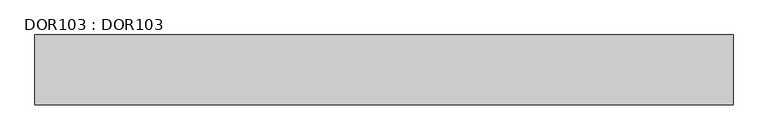
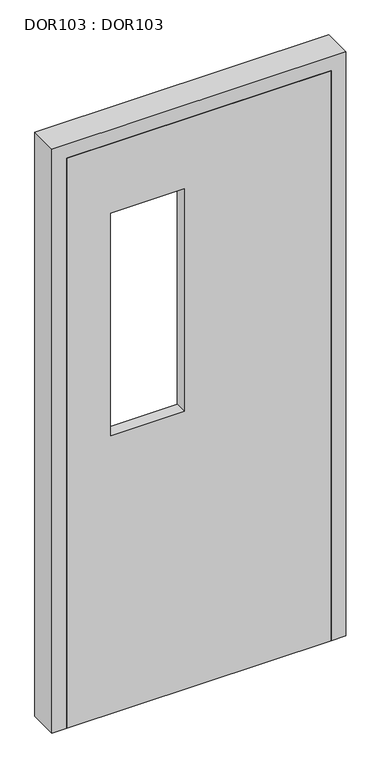
"""IFC4 building model written with IfcOpenShell, lengths in millimetres: proxy geometry, DOR103 : DOR103."""

from ifc_helpers import new_model, si_unit, frame, origin, place, context, project, spatial, polyline, outline, extrude, source, transform, mapped, element, save


def dor103_dor103_9330a421(model_context):
    return source(origin(), model_context, "Body", "SweptSolid", [
        extrude(outline(polyline([(2050.0000156, 950.0), (2050.0000156, 50.0000004), (0.0, 50.0000004), (0.0, 950.0), (2050.0000156, 950.0)]), holes=[polyline([(1800.0000137, 200.0000015), (1800.0000137, 450.0000034), (1000.0000076, 450.0000034), (1000.0000076, 200.0000015), (1800.0000137, 200.0000015)])]), frame((0.0, -100.0, 0.0), z_axis=(0.0, 1.0, 0.0), x_axis=(0.0, 0.0, 1.0)), (0.0, 0.0, 1.0), 39.9812829),
        extrude(outline(polyline([(2100.000016, 0.0), (0.0, 0.0), (0.0, 50.0000004), (2050.0000156, 50.0000004), (2050.0000156, 950.0000072), (0.0, 950.0000072), (0.0, 1000.0000076), (2100.000016, 1000.0000076), (2100.000016, 0.0)])), frame((0.0, -100.0187192, 0.0), z_axis=(0.0, 1.0, 0.0), x_axis=(0.0, 0.0, 1.0)), (0.0, 0.0, 1.0), 100.0187192),
    ])


if __name__ == "__main__":
    model = new_model("IFC4")
    model_context = context("Model", 3, world=origin())
    ifc_project = project(units=[si_unit("LENGTHUNIT", "METRE", prefix="MILLI")], contexts=[model_context])
    site = spatial("IfcSite", under=ifc_project)
    building = spatial("IfcBuilding", under=site)
    placement = place(None, origin())
    dor103_dor103_shape = dor103_dor103_9330a421(model_context)
    element("IfcBuildingElementProxy", 1, Name="DOR103 : DOR103", ObjectType="DOR103 : DOR103", at=placement, inside=building, context=model_context, shape_type="MappedRepresentation", body=[
        mapped(dor103_dor103_shape, transform((0.0, 0.0, 0.0), x_axis=(1.0, 0.0, 0.0), y_axis=(0.0, 1.0, 0.0), z_axis=(0.0, 0.0, 1.0))),
    ])
    save(model, "model.ifc")
